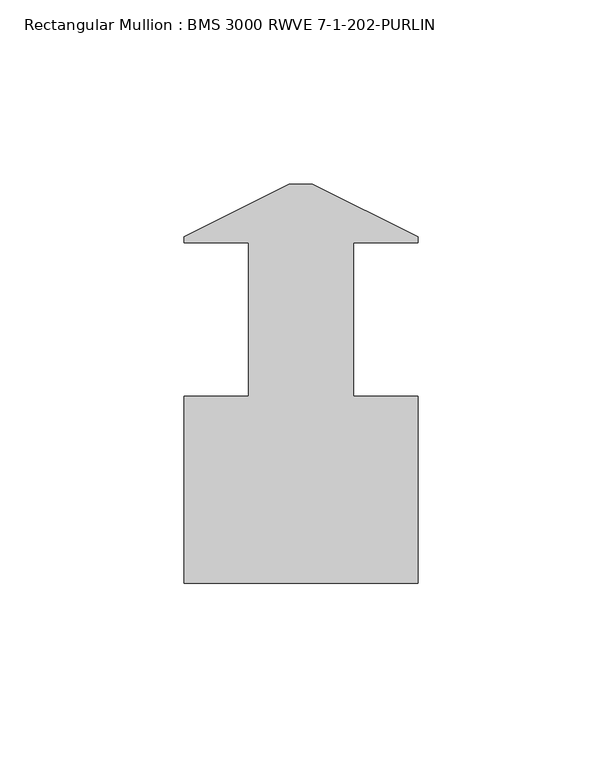
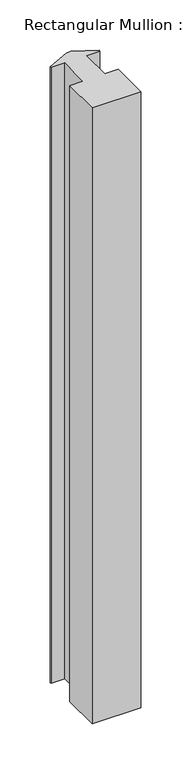
"""IFC4 building model written with IfcOpenShell, lengths in millimetres: member geometry, Rectangular Mullion : BMS 3000 RWVE 7-1-202-PURLIN."""

from ifc_helpers import new_model, si_unit, frame, origin, place, context, project, spatial, polyline, outline, extrude, source, transform, mapped, element, save


def rectangular_mullion_bms_3000_rwve_7_1_202_purlin_d7e34a53(model_context):
    return source(origin(), model_context, "Body", "SweptSolid", [
        extrude(outline(polyline([(-3.175, 6.1102875), (3.175, 6.1102875), (31.75, -8.1608839), (31.75, -9.7647125), (14.2748, -9.7647125), (14.2748, -51.3953125), (31.75, -51.3953125), (31.75, -102.1953125), (-31.75, -102.1953125), (-31.75, -51.3953125), (-14.2748, -51.3953125), (-14.2748, -9.7647125), (-31.75, -9.7647125), (-31.75, -8.1608839), (-3.175, 6.1102875)])), frame((0.0, 0.0, -850.9), z_axis=(0.0, 0.0, 1.0), x_axis=(1.0, 0.0, 0.0)), (0.0, 0.0, 1.0), 850.9),
    ])


if __name__ == "__main__":
    model = new_model("IFC4")
    model_context = context("Model", 3, world=origin())
    ifc_project = project(units=[si_unit("LENGTHUNIT", "METRE", prefix="MILLI")], contexts=[model_context])
    site = spatial("IfcSite", under=ifc_project)
    building = spatial("IfcBuilding", under=site)
    placement = place(None, origin())
    rectangular_mullion_bms_3000_rwve_7_1_202_purlin_shape = rectangular_mullion_bms_3000_rwve_7_1_202_purlin_d7e34a53(model_context)
    element("IfcMember", 1, ObjectType="Rectangular Mullion : BMS 3000 RWVE 7-1-202-PURLIN", at=placement, inside=building, context=model_context, shape_type="MappedRepresentation", body=[
        mapped(rectangular_mullion_bms_3000_rwve_7_1_202_purlin_shape, transform((0.0, 0.0, 0.0), x_axis=(1.0, 0.0, 0.0), y_axis=(0.0, 1.0, 0.0), z_axis=(0.0, 0.0, 1.0))),
    ])
    save(model, "model.ifc")
